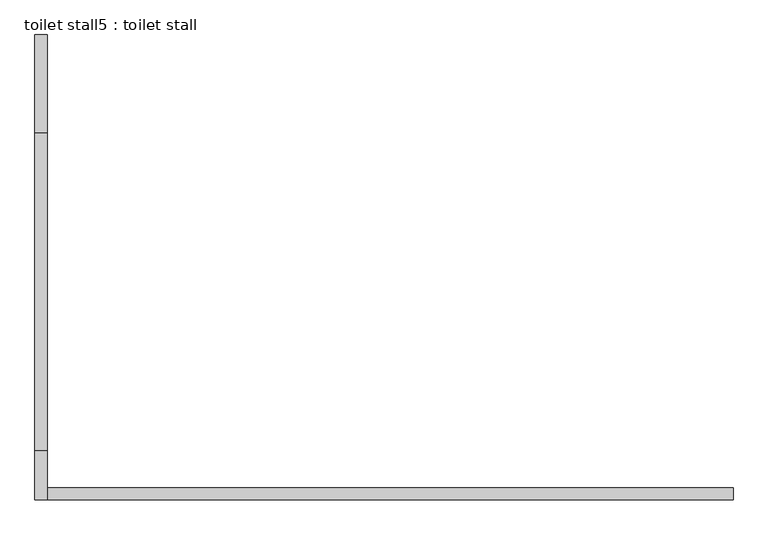
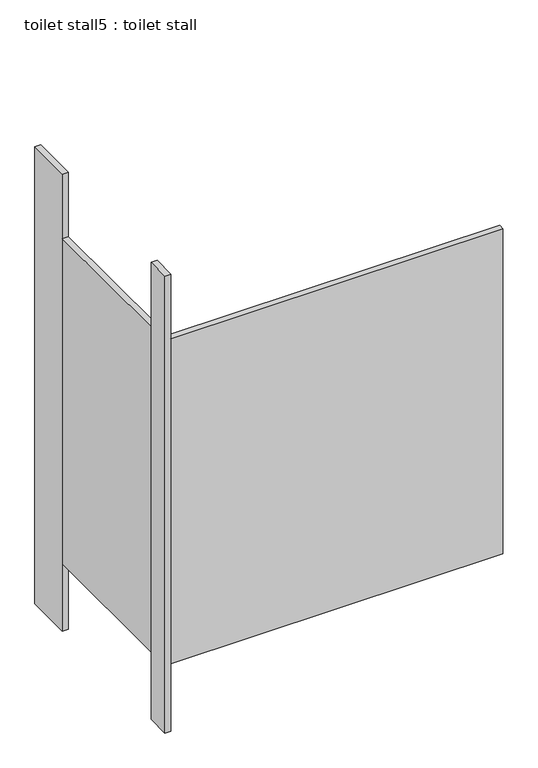
"""IFC4 building model written with IfcOpenShell, lengths in millimetres: proxy geometry, toilet stall5 : toilet stall."""

from ifc_helpers import new_model, si_unit, frame, origin, origin_with_axes, place, context, project, spatial, polyline, outline, extrude, source, transform, mapped, element, save


def toilet_stall5_toilet_stall_eb6aedce(model_context):
    return source(origin(), model_context, "Body", "SweptSolid", [
        extrude(outline(polyline([(454658.2004676, -340873.5705223), (454632.8004676, -340873.5705223), (454632.8004676, -340670.3705223), (454658.2004676, -340670.3705223), (454658.2004676, -340873.5705223)])), origin_with_axes(), (0.0, 0.0, 1.0), 2070.1),
        extrude(outline(polyline([(454658.2004676, -341635.5705223), (454632.8004676, -341635.5705223), (454632.8004676, -341533.9705223), (454658.2004676, -341533.9705223), (454658.2004676, -341635.5705223)])), origin_with_axes(), (0.0, 0.0, 1.0), 2070.1),
        extrude(outline(polyline([(454658.2004676, -341635.5705223), (454658.2004676, -341610.1705223), (456080.6004676, -341610.1705223), (456080.6004676, -341635.5705223), (454658.2004676, -341635.5705223)])), frame((0.0, 0.0, 304.8), z_axis=(0.0, 0.0, 1.0), x_axis=(1.0, 0.0, 0.0)), (0.0, 0.0, 1.0), 1473.2),
        extrude(outline(polyline([(454658.2004676, -341533.9705223), (454632.8004676, -341533.9705223), (454632.8004676, -340873.5705223), (454658.2004676, -340873.5705223), (454658.2004676, -341533.9705223)])), frame((0.0, 0.0, 304.8), z_axis=(0.0, 0.0, 1.0), x_axis=(1.0, 0.0, 0.0)), (0.0, 0.0, 1.0), 1473.2),
    ])


if __name__ == "__main__":
    model = new_model("IFC4")
    model_context = context("Model", 3, world=origin())
    ifc_project = project(units=[si_unit("LENGTHUNIT", "METRE", prefix="MILLI")], contexts=[model_context])
    site = spatial("IfcSite", under=ifc_project)
    building = spatial("IfcBuilding", under=site)
    placement = place(None, origin())
    toilet_stall5_toilet_stall_shape = toilet_stall5_toilet_stall_eb6aedce(model_context)
    element("IfcBuildingElementProxy", 1, Name="toilet stall5 : toilet stall", ObjectType="toilet stall5 : toilet stall", at=placement, inside=building, context=model_context, shape_type="MappedRepresentation", body=[
        mapped(toilet_stall5_toilet_stall_shape, transform((0.0, 0.0, 0.0), x_axis=(1.0, 0.0, 0.0), y_axis=(0.0, 1.0, 0.0), z_axis=(0.0, 0.0, 1.0))),
    ])
    save(model, "model.ifc")
